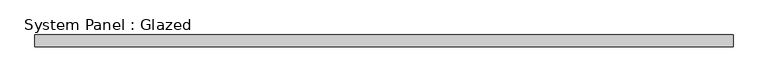
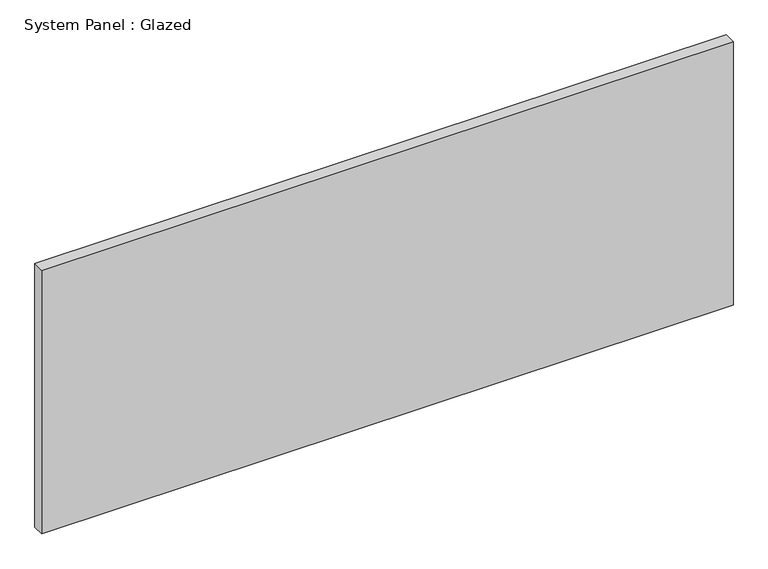
"""IFC4 building model written with IfcOpenShell, lengths in millimetres: plate geometry, System Panel : Glazed."""

from ifc_helpers import new_model, si_unit, origin, origin_with_axes, place, context, project, spatial, polyline, outline, extrude, source, transform, mapped, element, save


def system_panel_glazed_9d5a802d(model_context):
    return source(origin(), model_context, "Body", "SweptSolid", [
        extrude(outline(polyline([(755.65, 19.05), (-755.65, 19.05), (-755.65, 44.45), (755.65, 44.45), (755.65, 19.05)])), origin_with_axes(), (0.0, 0.0, 1.0), 609.6),
    ])


if __name__ == "__main__":
    model = new_model("IFC4")
    model_context = context("Model", 3, world=origin())
    ifc_project = project(units=[si_unit("LENGTHUNIT", "METRE", prefix="MILLI")], contexts=[model_context])
    site = spatial("IfcSite", under=ifc_project)
    building = spatial("IfcBuilding", under=site)
    placement = place(None, origin())
    system_panel_glazed_shape = system_panel_glazed_9d5a802d(model_context)
    element("IfcPlate", 1, ObjectType="System Panel : Glazed", at=placement, inside=building, context=model_context, shape_type="MappedRepresentation", body=[
        mapped(system_panel_glazed_shape, transform((0.0, 0.0, 0.0), x_axis=(1.0, 0.0, 0.0), y_axis=(0.0, 1.0, 0.0), z_axis=(0.0, 0.0, 1.0))),
    ])
    save(model, "model.ifc")
